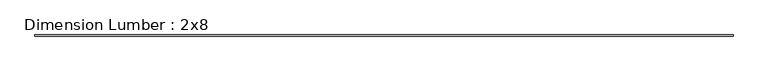
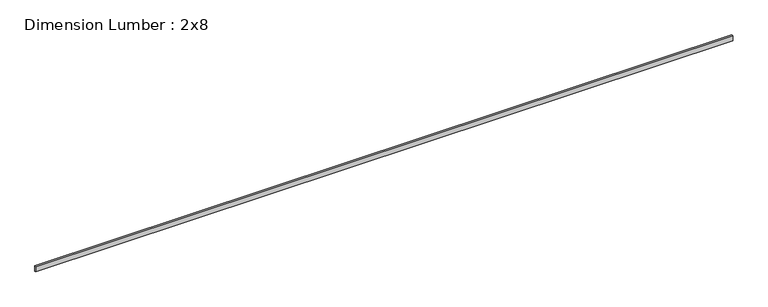
"""IFC4 building model written with IfcOpenShell, lengths in millimetres: beam geometry, Dimension Lumber : 2x8."""

import ifcopenshell
import ifcopenshell.guid

model = None  # the IFC model being written
_history = None  # IfcOwnerHistory: only IFC2X3 demands one
_inside = {}  # id of a spatial element -> (the spatial element, [elements in it])
_under = {}  # id of a project, library or spatial element -> (it, [spatial elements below it])
_declared = {}  # id of a project -> (the project, [libraries it declares])
_typed = {}  # id of a type object -> (the type object, [elements of that type])
_made_of = {}  # id of a material, layer set ... -> (it, [elements and type objects made of it])


def new_model(schema):
    """Start an empty IFC model of exactly this schema.

    Asked for "IFC4X3", IfcOpenShell would pick the latest addendum, in which some entities
    have other attributes; the version numbers below select the first issue.
    IFC2X3 requires an IfcOwnerHistory on every rooted entity: one is made here for all.
    """
    global model, _history
    if schema == "IFC4X3":
        model = ifcopenshell.file(schema_version=(4, 3, 0, 0))
    else:
        model = ifcopenshell.file(schema=schema)
    _inside.clear()
    _under.clear()
    _declared.clear()
    _typed.clear()
    _made_of.clear()
    _history = None
    if model.schema == "IFC2X3":
        org = make("IfcOrganization", Name="unknown")
        user = make(
            "IfcPersonAndOrganization",
            ThePerson=make("IfcPerson", FamilyName="unknown"),
            TheOrganization=org,
        )
        app = make(
            "IfcApplication",
            ApplicationDeveloper=org,
            Version="unknown",
            ApplicationFullName="unknown",
            ApplicationIdentifier="unknown",
        )
        _history = make(
            "IfcOwnerHistory",
            OwningUser=user,
            OwningApplication=app,
            ChangeAction="ADDED",
            CreationDate=0,
        )
    return model


def make(cls, **values):
    """One entity of the class cls with the attributes given. An attribute that is None is left unset."""
    return model.create_entity(
        cls, **{name: value for name, value in values.items() if value is not None}
    )


def rooted(cls, **values):
    """An entity with a GlobalId (a new one), such as an element, a storey or a relation."""
    return make(cls, GlobalId=ifcopenshell.guid.new(), OwnerHistory=_history, **values)


def si_unit(unit_type, name, prefix=None):
    """IfcSIUnit, for example si_unit("LENGTHUNIT", "METRE", prefix="MILLI")."""
    return make("IfcSIUnit", UnitType=unit_type, Prefix=prefix, Name=name)


def assignment(units):
    """IfcUnitAssignment: the units of a project."""
    return None if units is None else make("IfcUnitAssignment", Units=units)


def point(xyz):
    """IfcCartesianPoint."""
    return None if xyz is None else make("IfcCartesianPoint", Coordinates=xyz)


def direction(xyz):
    """IfcDirection."""
    return None if xyz is None else make("IfcDirection", DirectionRatios=xyz)


def frame(location, z_axis=None, x_axis=None):
    """IfcAxis2Placement3D, a coordinate frame: its origin and axes. An axis left out is left unset."""
    return make(
        "IfcAxis2Placement3D",
        Location=point(location),
        Axis=direction(z_axis),
        RefDirection=direction(x_axis),
    )


def origin():
    """The frame at (0, 0, 0) with its axes left unset."""
    return frame((0.0, 0.0, 0.0))


def place(relative_to, where):
    """IfcLocalPlacement: puts the frame where relative to a parent placement (None: the world)."""
    return make(
        "IfcLocalPlacement", PlacementRelTo=relative_to, RelativePlacement=where
    )


def context(
    kind, dimensions, precision=None, world=None, true_north=None, identifier=None
):
    """IfcGeometricRepresentationContext, for example the 3D "Model" context."""
    return make(
        "IfcGeometricRepresentationContext",
        ContextIdentifier=identifier,
        ContextType=kind,
        CoordinateSpaceDimension=dimensions,
        Precision=precision,
        WorldCoordinateSystem=world,
        TrueNorth=true_north,
    )


def project(units=None, contexts=None):
    """IfcProject with its units and contexts."""
    return rooted(
        "IfcProject",
        Name="project",
        RepresentationContexts=contexts,
        UnitsInContext=assignment(units),
    )


def spatial(cls, under=None, at=None, **own):
    """A site, building, storey or space (cls), placed at a placement, below another one or the project."""
    s = rooted(cls, ObjectPlacement=at, **own)
    if under is not None:
        _under.setdefault(under.id(), (under, []))[1].append(s)
    return s


def polyline(points):
    """IfcPolyline through the points."""
    return make("IfcPolyline", Points=[point(p) for p in points])


def outline(outer, holes=None, kind="AREA"):
    """IfcArbitraryClosedProfileDef: a profile drawn as a closed curve; with holes, ...WithVoids."""
    if holes is None:
        return make("IfcArbitraryClosedProfileDef", ProfileType=kind, OuterCurve=outer)
    return make(
        "IfcArbitraryProfileDefWithVoids",
        ProfileType=kind,
        OuterCurve=outer,
        InnerCurves=holes,
    )


def extrude(swept, where, along, depth):
    """IfcExtrudedAreaSolid: the profile swept, set in the frame where, extruded along a direction by depth."""
    return make(
        "IfcExtrudedAreaSolid",
        SweptArea=swept,
        Position=where,
        ExtrudedDirection=direction(along),
        Depth=depth,
    )


def shape(context_of_items, identifier, shape_type, items):
    """IfcShapeRepresentation: the items that make up one representation, for example the "Body"."""
    return make(
        "IfcShapeRepresentation",
        ContextOfItems=context_of_items,
        RepresentationIdentifier=identifier,
        RepresentationType=shape_type,
        Items=items,
    )


def source(mapping_origin, context_of_items, identifier, shape_type, items):
    """IfcRepresentationMap: a shape defined once, which mapped items show again and again."""
    return make(
        "IfcRepresentationMap",
        MappingOrigin=mapping_origin,
        MappedRepresentation=shape(context_of_items, identifier, shape_type, items),
    )


def transform(
    local_origin,
    x_axis=None,
    y_axis=None,
    z_axis=None,
    scale=None,
    scale2=None,
    scale3=None,
    uniform=True,
):
    """IfcCartesianTransformationOperator3D, or its non-uniform kind. x_axis, y_axis, z_axis: its Axis1, 2, 3."""
    if uniform:
        return make(
            "IfcCartesianTransformationOperator3D",
            Axis1=direction(x_axis),
            Axis2=direction(y_axis),
            LocalOrigin=point(local_origin),
            Scale=scale,
            Axis3=direction(z_axis),
        )
    return make(
        "IfcCartesianTransformationOperator3DnonUniform",
        Axis1=direction(x_axis),
        Axis2=direction(y_axis),
        LocalOrigin=point(local_origin),
        Scale=scale,
        Axis3=direction(z_axis),
        Scale2=scale2,
        Scale3=scale3,
    )


def mapped(mapping_source, mapping_target):
    """IfcMappedItem: shows the shape of a source again, moved by a transform."""
    return make(
        "IfcMappedItem", MappingSource=mapping_source, MappingTarget=mapping_target
    )


def made_of(thing, what):
    """Note that an element or type object is made of a material, layer set ...; save() writes the relation."""
    if what is not None:
        _made_of.setdefault(what.id(), (what, []))[1].append(thing)
    return thing


def element(
    cls,
    number,
    at=None,
    inside=None,
    cuts=None,
    type_object=None,
    material=None,
    context=None,
    identifier="Body",
    shape_type=None,
    held_by="IfcProductDefinitionShape",
    body=None,
    shapes=None,
    **own,
):
    """One element of the class cls, such as IfcWall. Its Tag is "e" and its number.

    at: its placement. inside: the storey or other place that contains it. cuts: it is an
    opening in that element (IfcRelVoidsElement). A single representation is given by context,
    identifier, shape_type and body (its items); several are given by shapes. held_by: the class
    of the entity that holds the representations. save() writes the other relations.
    """
    e = rooted(cls, Tag="e%d" % number, ObjectPlacement=at, **own)
    if body is not None:
        shapes = [shape(context, identifier, shape_type, body)]
    if shapes is not None:
        e.Representation = make(held_by, Representations=shapes)
    if inside is not None:
        _inside.setdefault(inside.id(), (inside, []))[1].append(e)
    if cuts is not None:
        rooted(
            "IfcRelVoidsElement", RelatingBuildingElement=cuts, RelatedOpeningElement=e
        )
    if type_object is not None:
        _typed.setdefault(type_object.id(), (type_object, []))[1].append(e)
    return made_of(e, material)


def aggregate(whole, parts):
    """IfcRelAggregates: a whole, such as a stair, and the parts it consists of."""
    return rooted("IfcRelAggregates", RelatingObject=whole, RelatedObjects=parts)


def save(model, path):
    """Write the relations noted so far, then the file.

    IfcRelAggregates (storeys below a building ...), IfcRelContainedInSpatialStructure (elements
    in a storey), IfcRelDefinesByType, IfcRelAssociatesMaterial and IfcRelDeclares: one each for
    every whole, place, type object, material and project.
    """
    for whole, parts in _under.values():
        aggregate(whole, parts)
    for where, things in _inside.values():
        rooted(
            "IfcRelContainedInSpatialStructure",
            RelatedElements=things,
            RelatingStructure=where,
        )
    for kind, things in _typed.values():
        rooted("IfcRelDefinesByType", RelatedObjects=things, RelatingType=kind)
    for what, things in _made_of.values():
        rooted("IfcRelAssociatesMaterial", RelatedObjects=things, RelatingMaterial=what)
    for by, libraries in _declared.values():
        rooted("IfcRelDeclares", RelatingContext=by, RelatedDefinitions=libraries)
    model.write(path)


def dimension_lumber_2x8_57437086(model_context):
    return source(origin(), model_context, "Body", "SweptSolid", [
        extrude(outline(polyline([(11274.6605967, 19.05), (11274.6605967, -19.05), (-11274.6605967, -19.05), (-11274.6605967, 19.05), (11274.6605967, 19.05)])), frame((0.0, 0.0, -92.075), z_axis=(0.0, 0.0, 1.0), x_axis=(1.0, 0.0, 0.0)), (0.0, 0.0, 1.0), 184.15),
    ])


if __name__ == "__main__":
    model = new_model("IFC4")
    model_context = context("Model", 3, world=origin())
    ifc_project = project(units=[si_unit("LENGTHUNIT", "METRE", prefix="MILLI")], contexts=[model_context])
    site = spatial("IfcSite", under=ifc_project)
    building = spatial("IfcBuilding", under=site)
    placement = place(None, origin())
    dimension_lumber_2x8_shape = dimension_lumber_2x8_57437086(model_context)
    element("IfcBeam", 1, ObjectType="Dimension Lumber : 2x8", at=placement, inside=building, context=model_context, shape_type="MappedRepresentation", body=[
        mapped(dimension_lumber_2x8_shape, transform((0.0, 0.0, 0.0), x_axis=(1.0, 0.0, 0.0), y_axis=(0.0, 1.0, 0.0), z_axis=(0.0, 0.0, 1.0))),
    ])
    save(model, "model.ifc")
